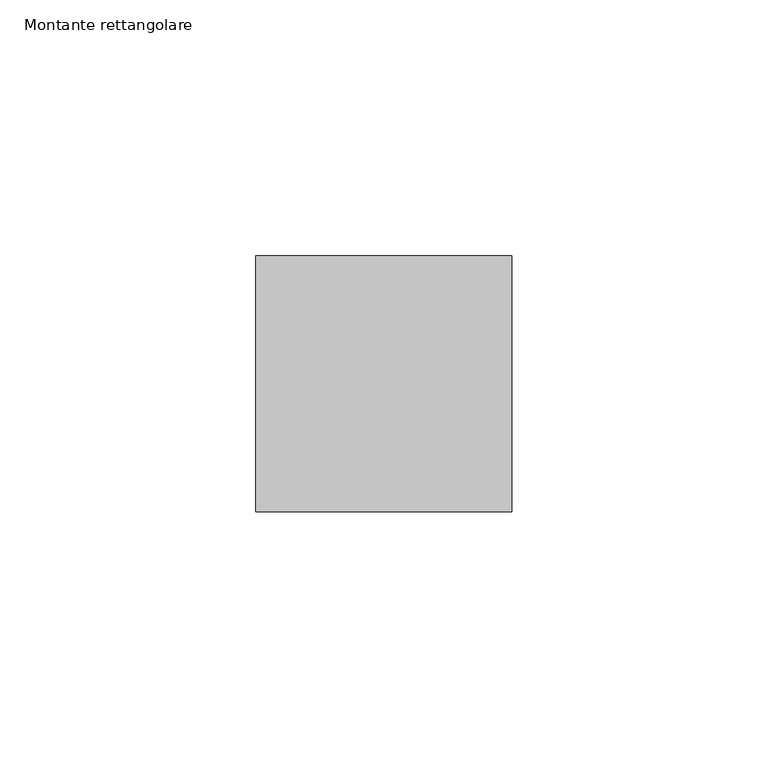
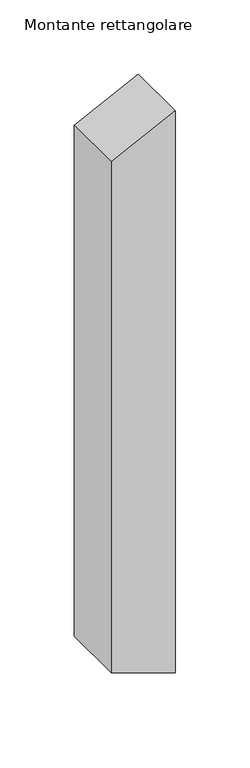
"""IFC4 building model written with IfcOpenShell, lengths in millimetres: member geometry, Montante rettangolare."""

from ifc_helpers import new_model, si_unit, frame, origin, place, context, project, spatial, polyline, outline, extrude, source, transform, mapped, element, save


def montante_rettangolare_7e7af02d(model_context):
    return source(origin(), model_context, "Body", "SweptSolid", [
        extrude(outline(polyline([(0.0, 0.0), (-24.4139955, -50.0), (-445.3043552, -50.0), (-462.4960167, 0.0), (0.0, 0.0)])), frame((0.0, -25.0, 0.0), z_axis=(0.0, 1.0, 0.0), x_axis=(0.0, 0.0, 1.0)), (0.0, 0.0, 1.0), 50.0),
    ])


if __name__ == "__main__":
    model = new_model("IFC4")
    model_context = context("Model", 3, world=origin())
    ifc_project = project(units=[si_unit("LENGTHUNIT", "METRE", prefix="MILLI")], contexts=[model_context])
    site = spatial("IfcSite", under=ifc_project)
    building = spatial("IfcBuilding", under=site)
    placement = place(None, origin())
    montante_rettangolare_shape = montante_rettangolare_7e7af02d(model_context)
    element("IfcMember", 1, ObjectType="Montante rettangolare", at=placement, inside=building, context=model_context, shape_type="MappedRepresentation", body=[
        mapped(montante_rettangolare_shape, transform((0.0, 0.0, 0.0), x_axis=(1.0, 0.0, 0.0), y_axis=(0.0, 1.0, 0.0), z_axis=(0.0, 0.0, 1.0))),
    ])
    save(model, "model.ifc")
